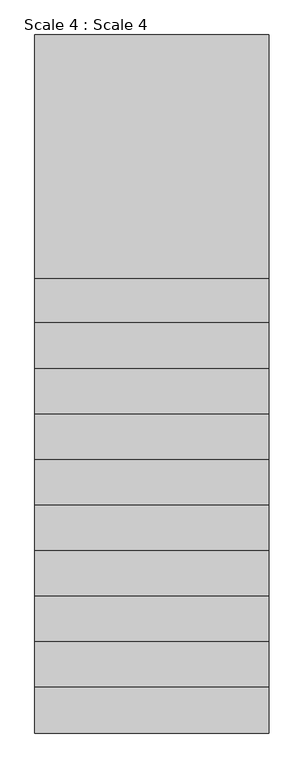
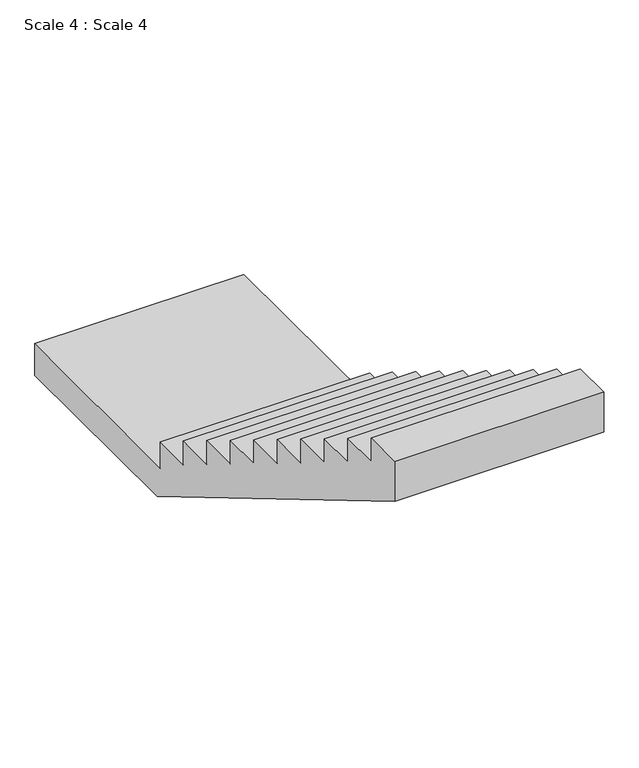
"""IFC4 building model written with IfcOpenShell, lengths in millimetres: stair geometry, Scale 4 : Scale 4."""

from ifc_helpers import new_model, si_unit, frame, origin, place, context, project, spatial, polyline, outline, extrude, source, transform, mapped, element, save


def scale_4_scale_4_476bc974(model_context):
    return source(origin(), model_context, "Body", "SweptSolid", [
        extrude(outline(polyline([(118762.1035652, 109.7329213), (115827.3194413, 1854.2547341), (115827.3194413, 2156.25), (116117.3194413, 2156.25), (116117.3194413, 1977.5), (116407.3194413, 1977.5), (116407.3194413, 1798.75), (116697.3194413, 1798.75), (116697.3194413, 1620.0), (116987.3194413, 1620.0), (116987.3194413, 1441.25), (117277.3194413, 1441.25), (117277.3194413, 1262.5), (117567.3194413, 1262.5), (117567.3194413, 1083.75), (117857.3194413, 1083.75), (117857.3194413, 905.0), (118147.3194413, 905.0), (118147.3194413, 726.25), (118437.3194413, 726.25), (118437.3194413, 547.5), (118719.6062486, 547.5), (118719.6062486, 348.5714286), (120270.307891, 348.5714286), (120270.307891, 109.7329213), (118762.1035652, 109.7329213)])), frame((-54844.596411, 0.0, 0.0), z_axis=(1.0, 0.0, 0.0), x_axis=(0.0, 1.0, 0.0)), (0.0, 0.0, 1.0), 1490.6522852),
    ])


if __name__ == "__main__":
    model = new_model("IFC4")
    model_context = context("Model", 3, world=origin())
    ifc_project = project(units=[si_unit("LENGTHUNIT", "METRE", prefix="MILLI")], contexts=[model_context])
    site = spatial("IfcSite", under=ifc_project)
    building = spatial("IfcBuilding", under=site)
    placement = place(None, origin())
    scale_4_scale_4_shape = scale_4_scale_4_476bc974(model_context)
    element("IfcStair", 1, ObjectType="Scale 4 : Scale 4", at=placement, inside=building, context=model_context, shape_type="MappedRepresentation", body=[
        mapped(scale_4_scale_4_shape, transform((0.0, 0.0, 0.0), x_axis=(1.0, 0.0, 0.0), y_axis=(0.0, 1.0, 0.0), z_axis=(0.0, 0.0, 1.0))),
    ])
    save(model, "model.ifc")
